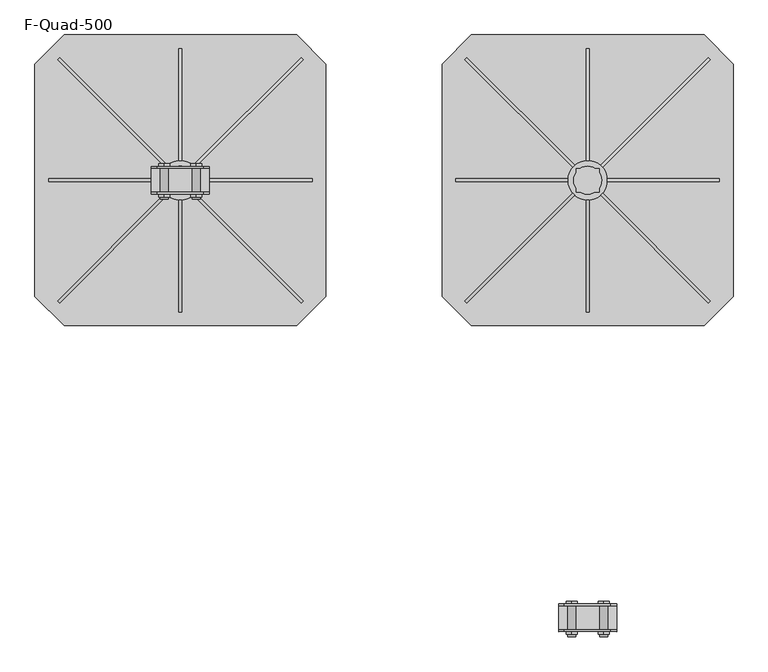
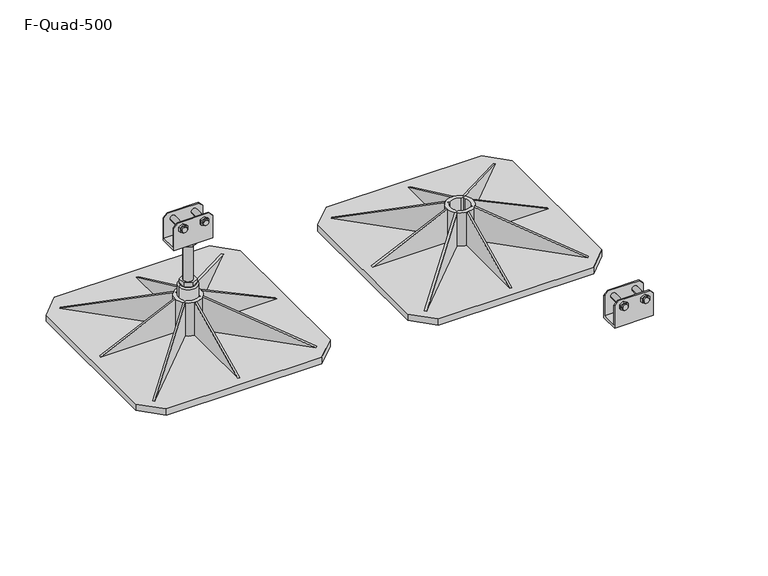
"""IFC4 building model written with IfcOpenShell, lengths in millimetres: beam geometry, F-Quad-500."""

from ifc_helpers import new_model, si_unit, point, frame, frame_2d, origin, origin_with_axes, place, context, project, spatial, polyline, circle_curve, trimmed, segment, composite_curve, outline, extrude, source, transform, mapped, element, save
from ifc_brep_helpers import plane_surface, cylinder_surface, revolved_surface, advanced_brep


def f_quad_500_288b1008(model_context):
    return source(origin(), model_context, "Body", "SolidModel", [
        advanced_brep(
        [(-50.0, 731.75, 265.0), (50.0, 731.75, 265.0), (50.0, 773.25, 265.0), (-50.0, 773.25, 265.0), (50.0, 776.25, 258.0), (50.0, 728.75, 258.0), (-50.0, 728.75, 258.0), (-50.0, 776.25, 258.0), (27.5, 781.153247, 323.062665), (37.0805489, 781.153247, 317.5313325), (37.0805489, 781.153247, 306.4686675), (27.5, 781.153247, 300.937335), (17.9194511, 781.153247, 306.4686675), (17.9194511, 781.153247, 317.5313325), (-27.5, 781.153247, 323.062665), (-17.9194511, 781.153247, 317.5313325), (-17.9194511, 781.153247, 306.4686675), (-27.5, 781.153247, 300.937335), (-37.0805489, 781.153247, 306.4686675), (-37.0805489, 781.153247, 317.5313325), (27.5, 776.153247, 323.062665), (37.0805489, 776.25, 317.5313325), (37.0805489, 776.25, 306.4686675), (27.5, 776.25, 300.937335), (17.9194511, 776.25, 306.4686675), (17.9194511, 776.25, 317.5313325), (-27.5, 776.153247, 323.062665), (-17.9194511, 776.25, 317.5313325), (-17.9194511, 776.25, 306.4686675), (-27.5, 776.25, 300.937335), (-37.0805489, 776.25, 306.4686675), (-37.0805489, 776.25, 317.5313325), (17.9194511, 723.75, 317.5313325), (17.9194511, 723.75, 306.4686675), (27.5, 723.75, 300.937335), (37.0805489, 723.75, 306.4686675), (37.0805489, 723.75, 317.5313325), (27.5, 723.75, 323.062665), (20.5, 723.75, 312.0), (34.5, 723.75, 312.0), (17.9194511, 728.75, 317.5313325), (17.9194511, 728.75, 306.4686675), (27.5, 728.75, 300.937335), (37.0805489, 728.75, 306.4686675), (37.0805489, 728.75, 317.5313325), (27.5, 728.75, 323.062665), (-37.0805489, 723.75, 317.5313325), (-37.0805489, 723.75, 306.4686675), (-27.5, 723.75, 300.937335), (-17.9194511, 723.75, 306.4686675), (-17.9194511, 723.75, 317.5313325), (-27.5, 723.75, 323.062665), (-34.5, 723.75, 312.0), (-20.5, 723.75, 312.0), (-37.0805489, 728.75, 317.5313325), (-37.0805489, 728.75, 306.4686675), (-27.5, 728.75, 300.937335), (-17.9194511, 728.75, 306.4686675), (-17.9194511, 728.75, 317.5313325), (-27.5, 728.75, 323.062665), (-50.0, 731.75, 319.0), (-40.0, 731.75, 329.0), (40.0, 731.75, 329.0), (50.0, 731.75, 319.0), (34.5, 731.75, 312.0), (20.5, 731.75, 312.0), (-20.5, 731.75, 312.0), (-34.5, 731.75, 312.0), (40.0, 728.75, 329.0), (50.0, 728.75, 319.0), (-40.0, 728.75, 329.0), (-50.0, 728.75, 319.0), (50.0, 773.25, 319.0), (40.0, 773.25, 329.0), (-40.0, 773.25, 329.0), (-50.0, 773.25, 319.0), (20.5, 773.25, 312.0), (34.5, 773.25, 312.0), (-34.5, 773.25, 312.0), (-20.5, 773.25, 312.0), (50.0, 776.25, 319.0), (40.0, 776.25, 329.0), (-40.0, 776.25, 329.0), (-50.0, 776.25, 319.0), (20.5, 719.8051094, 312.0), (34.5, 719.8051094, 312.0), (-34.5, 719.8051094, 312.0), (-20.5, 719.8051094, 312.0)],
        [
            (0, 1),
            (1, 2),
            (2, 3),
            (3, 0),
            (4, 5),
            (5, 6),
            (6, 7),
            (7, 4),
            (8, 9),
            (9, 10),
            (10, 11),
            (11, 12),
            (12, 13),
            (13, 8),
            (14, 15),
            (15, 16),
            (16, 17),
            (17, 18),
            (18, 19),
            (19, 14),
            (8, 20),
            (20, 21),
            (21, 9),
            (21, 22),
            (22, 10),
            (22, 23),
            (23, 11),
            (23, 24),
            (24, 12),
            (24, 25),
            (25, 13),
            (25, 20),
            (14, 26),
            (26, 27),
            (27, 15),
            (27, 28),
            (28, 16),
            (28, 29),
            (29, 17),
            (29, 30),
            (30, 18),
            (30, 31),
            (31, 19),
            (31, 26),
            (32, 33),
            (33, 34),
            (34, 35),
            (35, 36),
            (36, 37),
            (37, 32),
            (38, 39, circle_curve(frame((27.5, 723.75, 312.0), z_axis=(0.0, 1.0, 0.0), x_axis=(-1.0, 0.0, 0.0)), 7.0)),
            (39, 38, circle_curve(frame((27.5, 723.75, 312.0), z_axis=(0.0, 1.0, 0.0), x_axis=(-1.0, 0.0, 0.0)), 7.0)),
            (32, 40),
            (40, 41),
            (41, 33),
            (41, 42),
            (42, 34),
            (42, 43),
            (43, 35),
            (43, 44),
            (44, 36),
            (44, 45),
            (45, 37),
            (45, 40),
            (46, 47),
            (47, 48),
            (48, 49),
            (49, 50),
            (50, 51),
            (51, 46),
            (52, 53, circle_curve(frame((-27.5, 723.75, 312.0), z_axis=(0.0, 1.0, 0.0), x_axis=(-1.0, 0.0, 0.0)), 7.0)),
            (53, 52, circle_curve(frame((-27.5, 723.75, 312.0), z_axis=(0.0, 1.0, 0.0), x_axis=(-1.0, 0.0, 0.0)), 7.0)),
            (46, 54),
            (54, 55),
            (55, 47),
            (55, 56),
            (56, 48),
            (56, 57),
            (57, 49),
            (57, 58),
            (58, 50),
            (58, 59),
            (59, 51),
            (59, 54),
            (60, 61),
            (61, 62),
            (62, 63),
            (63, 1),
            (0, 60),
            (64, 65, circle_curve(frame((27.5, 731.75, 312.0), z_axis=(0.0, -1.0, 0.0), x_axis=(-1.0, 0.0, 0.0)), 7.0)),
            (65, 64, circle_curve(frame((27.5, 731.75, 312.0), z_axis=(0.0, -1.0, 0.0), x_axis=(-1.0, 0.0, 0.0)), 7.0)),
            (66, 67, circle_curve(frame((-27.5, 731.75, 312.0), z_axis=(0.0, -1.0, 0.0), x_axis=(-1.0, 0.0, 0.0)), 7.0)),
            (67, 66, circle_curve(frame((-27.5, 731.75, 312.0), z_axis=(0.0, -1.0, 0.0), x_axis=(-1.0, 0.0, 0.0)), 7.0)),
            (62, 68),
            (68, 69),
            (69, 63),
            (61, 70),
            (70, 68),
            (60, 71),
            (71, 70),
            (72, 73),
            (73, 74),
            (74, 75),
            (75, 3),
            (2, 72),
            (76, 77, circle_curve(frame((27.5, 773.25, 312.0), z_axis=(0.0, 1.0, 0.0), x_axis=(-1.0, 0.0, 0.0)), 7.0)),
            (77, 76, circle_curve(frame((27.5, 773.25, 312.0), z_axis=(0.0, 1.0, 0.0), x_axis=(-1.0, 0.0, 0.0)), 7.0)),
            (78, 79, circle_curve(frame((-27.5, 773.25, 312.0), z_axis=(0.0, 1.0, 0.0), x_axis=(-1.0, 0.0, 0.0)), 7.0)),
            (79, 78, circle_curve(frame((-27.5, 773.25, 312.0), z_axis=(0.0, 1.0, 0.0), x_axis=(-1.0, 0.0, 0.0)), 7.0)),
            (80, 81),
            (81, 73),
            (72, 80),
            (81, 82),
            (82, 74),
            (82, 83),
            (83, 75),
            (7, 83),
            (80, 4),
            (6, 71),
            (5, 69),
            (84, 85, circle_curve(frame((27.5, 719.8051094, 312.0), z_axis=(0.0, -1.0, 0.0), x_axis=(-1.0, 0.0, 0.0)), 7.0)),
            (85, 84, circle_curve(frame((27.5, 719.8051094, 312.0), z_axis=(0.0, -1.0, 0.0), x_axis=(-1.0, 0.0, 0.0)), 7.0)),
            (86, 87, circle_curve(frame((-27.5, 719.8051094, 312.0), z_axis=(0.0, -1.0, 0.0), x_axis=(-1.0, 0.0, 0.0)), 7.0)),
            (87, 86, circle_curve(frame((-27.5, 719.8051094, 312.0), z_axis=(0.0, -1.0, 0.0), x_axis=(-1.0, 0.0, 0.0)), 7.0)),
            (85, 39),
            (38, 84),
            (64, 77),
            (76, 65),
            (87, 53),
            (52, 86),
            (66, 79),
            (78, 67),
        ],
        [
            plane_surface(frame((0.0, 776.25, 265.0), z_axis=(0.0, 0.0, 1.0), x_axis=(-1.0, 0.0, 0.0))),
            plane_surface(frame((0.0, 776.25, 258.0), z_axis=(0.0, 0.0, -1.0), x_axis=(1.0, 0.0, 0.0))),
            plane_surface(frame((27.5, 781.153247, 323.062665), z_axis=(0.0, 1.0, 0.0), x_axis=(0.866025403784437, 0.0, -0.5000000000000028))),
            plane_surface(frame((27.5, 781.153247, 323.062665), z_axis=(0.5000000000000028, 0.0, 0.866025403784437), x_axis=(0.0, -1.0, 0.0))),
            plane_surface(frame((37.0805489, 781.153247, 317.5313325), z_axis=(1.0, 0.0, 0.0), x_axis=(0.0, -1.0, 0.0))),
            plane_surface(frame((37.0805489, 781.153247, 306.4686675), z_axis=(0.4999999999999971, 0.0, -0.8660254037844404), x_axis=(0.0, -1.0, 0.0))),
            plane_surface(frame((27.5, 781.153247, 300.937335), z_axis=(-0.5000000000000031, 0.0, -0.8660254037844369), x_axis=(0.0, -1.0, 0.0))),
            plane_surface(frame((17.9194511, 781.153247, 306.4686675), z_axis=(-1.0, 0.0, 0.0), x_axis=(0.0, -1.0, 0.0))),
            plane_surface(frame((17.9194511, 781.153247, 317.5313325), z_axis=(-0.4999999999999962, 0.0, 0.8660254037844408), x_axis=(0.0, -1.0, 0.0))),
            plane_surface(frame((-27.5, 781.153247, 323.062665), z_axis=(0.5000000000000028, 0.0, 0.866025403784437), x_axis=(0.0, -1.0, 0.0))),
            plane_surface(frame((-17.9194511, 781.153247, 317.5313325), z_axis=(1.0, 0.0, 0.0), x_axis=(0.0, -1.0, 0.0))),
            plane_surface(frame((-17.9194511, 781.153247, 306.4686675), z_axis=(0.4999999999999972, 0.0, -0.8660254037844403), x_axis=(0.0, -1.0, 0.0))),
            plane_surface(frame((-27.5, 781.153247, 300.937335), z_axis=(-0.5000000000000029, 0.0, -0.866025403784437), x_axis=(0.0, -1.0, 0.0))),
            plane_surface(frame((-37.0805489, 781.153247, 306.4686675), z_axis=(-1.0, 0.0, 0.0), x_axis=(0.0, -1.0, 0.0))),
            plane_surface(frame((-37.0805489, 781.153247, 317.5313325), z_axis=(-0.49999999999999617, 0.0, 0.8660254037844409), x_axis=(0.0, -1.0, 0.0))),
            plane_surface(frame((17.9194511, 723.75, 317.5313325), z_axis=(0.0, -1.0, 0.0), x_axis=(0.0, 0.0, -1.0))),
            plane_surface(frame((17.9194511, 723.75, 317.5313325), z_axis=(-1.0, 0.0, 0.0), x_axis=(0.0, 1.0, 0.0))),
            plane_surface(frame((17.9194511, 723.75, 306.4686675), z_axis=(-0.500000000000003, 0.0, -0.866025403784437), x_axis=(0.0, 1.0, 0.0))),
            plane_surface(frame((27.5, 723.75, 300.937335), z_axis=(0.4999999999999972, 0.0, -0.8660254037844403), x_axis=(0.0, 1.0, 0.0))),
            plane_surface(frame((37.0805489, 723.75, 306.4686675), z_axis=(1.0, 0.0, 0.0), x_axis=(0.0, 1.0, 0.0))),
            plane_surface(frame((37.0805489, 723.75, 317.5313325), z_axis=(0.5000000000000038, 0.0, 0.8660254037844366), x_axis=(0.0, 1.0, 0.0))),
            plane_surface(frame((27.5, 723.75, 323.062665), z_axis=(-0.4999999999999978, 0.0, 0.8660254037844399), x_axis=(0.0, 1.0, 0.0))),
            plane_surface(frame((-37.0805489, 723.75, 317.5313325), z_axis=(0.0, -1.0, 0.0), x_axis=(0.0, 0.0, -1.0))),
            plane_surface(frame((-37.0805489, 723.75, 317.5313325), z_axis=(-1.0, 0.0, 0.0), x_axis=(0.0, 1.0, 0.0))),
            plane_surface(frame((-37.0805489, 723.75, 306.4686675), z_axis=(-0.5000000000000031, 0.0, -0.8660254037844368), x_axis=(0.0, 1.0, 0.0))),
            plane_surface(frame((-27.5, 723.75, 300.937335), z_axis=(0.49999999999999717, 0.0, -0.8660254037844404), x_axis=(0.0, 1.0, 0.0))),
            plane_surface(frame((-17.9194511, 723.75, 306.4686675), z_axis=(1.0, 0.0, 0.0), x_axis=(0.0, 1.0, 0.0))),
            plane_surface(frame((-17.9194511, 723.75, 317.5313325), z_axis=(0.5000000000000036, 0.0, 0.8660254037844367), x_axis=(0.0, 1.0, 0.0))),
            plane_surface(frame((-27.5, 723.75, 323.062665), z_axis=(-0.4999999999999981, 0.0, 0.8660254037844398), x_axis=(0.0, 1.0, 0.0))),
            plane_surface(frame((-50.0, 731.75, 319.0), z_axis=(0.0, 1.0, 0.0), x_axis=(0.0, 0.0, 1.0))),
            plane_surface(frame((50.0, 728.75, 319.0), z_axis=(0.7071067811865493, 0.0, 0.7071067811865457), x_axis=(0.0, 1.0, 0.0))),
            plane_surface(frame((40.0, 728.75, 329.0), z_axis=(0.0, 0.0, 1.0), x_axis=(0.0, 1.0, 0.0))),
            plane_surface(frame((-40.0, 728.75, 329.0), z_axis=(-0.707106781186547, 0.0, 0.7071067811865481), x_axis=(0.0, 1.0, 0.0))),
            plane_surface(frame((40.0, 773.25, 329.0), z_axis=(0.0, -1.0, 0.0), x_axis=(-0.7071067811865458, 0.0, 0.7071067811865493))),
            plane_surface(frame((50.0, 773.25, 319.0), z_axis=(0.7071067811865493, 0.0, 0.7071067811865458), x_axis=(0.0, 1.0, 0.0))),
            plane_surface(frame((40.0, 773.25, 329.0), z_axis=(0.0, 0.0, 1.0), x_axis=(0.0, 1.0, 0.0))),
            plane_surface(frame((-40.0, 773.25, 329.0), z_axis=(-0.7071067811865467, 0.0, 0.7071067811865485), x_axis=(0.0, 1.0, 0.0))),
            plane_surface(frame((50.0, 776.25, 265.0), z_axis=(0.0, 1.0, 0.0), x_axis=(0.0, 0.0, -1.0))),
            plane_surface(frame((-50.0, 776.25, 265.0), z_axis=(-1.0, 0.0, 0.0), x_axis=(0.0, 0.0, -1.0))),
            plane_surface(frame((-50.0, 728.75, 265.0), z_axis=(0.0, -1.0, 0.0), x_axis=(0.0, 0.0, -1.0))),
            plane_surface(frame((50.0, 728.75, 265.0), z_axis=(1.0, 0.0, 0.0), x_axis=(0.0, 0.0, -1.0))),
            plane_surface(frame((20.5, 719.8051094, 312.0), z_axis=(0.0, -1.0, 0.0), x_axis=(0.0, 0.0, -1.0))),
            cylinder_surface(frame((27.5, 719.8051094, 312.0), z_axis=(0.0, 1.0, 0.0), x_axis=(-1.0, 0.0, 0.0)), 7.0),
            cylinder_surface(frame((-27.5, 776.153247, 312.0), z_axis=(0.0, 1.0, 0.0), x_axis=(-1.0, 0.0, 0.0)), 7.0),
        ],
        [
            (0, [[1, 2, 3, 4]]),
            (1, [[5, 6, 7, 8]]),
            (2, [[9, 10, 11, 12, 13, 14]]),
            (2, [[15, 16, 17, 18, 19, 20]]),
            (3, [[-9, 21, 22, 23]]),
            (4, [[-10, -23, 24, 25]]),
            (5, [[-11, -25, 26, 27]]),
            (6, [[-12, -27, 28, 29]]),
            (7, [[-13, -29, 30, 31]]),
            (8, [[-14, -31, 32, -21]]),
            (9, [[-15, 33, 34, 35]]),
            (10, [[-16, -35, 36, 37]]),
            (11, [[-17, -37, 38, 39]]),
            (12, [[-18, -39, 40, 41]]),
            (13, [[-19, -41, 42, 43]]),
            (14, [[-20, -43, 44, -33]]),
            (15, [[45, 46, 47, 48, 49, 50], [51, 52]]),
            (16, [[-45, 53, 54, 55]]),
            (17, [[-46, -55, 56, 57]]),
            (18, [[-47, -57, 58, 59]]),
            (19, [[-48, -59, 60, 61]]),
            (20, [[-49, -61, 62, 63]]),
            (21, [[-50, -63, 64, -53]]),
            (22, [[65, 66, 67, 68, 69, 70], [71, 72]]),
            (23, [[-65, 73, 74, 75]]),
            (24, [[-66, -75, 76, 77]]),
            (25, [[-67, -77, 78, 79]]),
            (26, [[-68, -79, 80, 81]]),
            (27, [[-69, -81, 82, 83]]),
            (28, [[-70, -83, 84, -73]]),
            (29, [[85, 86, 87, 88, -1, 89], [90, 91], [92, 93]]),
            (30, [[-87, 94, 95, 96]]),
            (31, [[-86, 97, 98, -94]]),
            (32, [[-85, 99, 100, -97]]),
            (33, [[101, 102, 103, 104, -3, 105], [106, 107], [108, 109]]),
            (34, [[110, 111, -101, 112]]),
            (35, [[113, 114, -102, -111]]),
            (36, [[115, 116, -103, -114]]),
            (37, [[-8, 117, -115, -113, -110, 118], [-22, -32, -30, -28, -26, -24], [-34, -44, -42, -40, -38, -36]]),
            (38, [[-117, -7, 119, -99, -89, -4, -104, -116]]),
            (39, [[-6, 120, -95, -98, -100, -119], [-54, -64, -62, -60, -58, -56], [-74, -84, -82, -80, -78, -76]]),
            (40, [[-5, -118, -112, -105, -2, -88, -96, -120]]),
            (41, [[121, 122]]),
            (41, [[123, 124]]),
            (42, [[-122, 125, -51, 126]]),
            (42, [[-90, 127, -106, 128]]),
            (42, [[-121, -126, -52, -125]]),
            (42, [[-91, -128, -107, -127]]),
            (43, [[-124, 129, -71, 130]]),
            (43, [[-92, 131, -108, 132]]),
            (43, [[-123, -130, -72, -129]]),
            (43, [[-93, -132, -109, -131]]),
        ],
    ),
        advanced_brep(
        [(-12.0, 752.5, 248.0), (-12.0, 752.5, 150.0), (12.0, 752.5, 150.0), (12.0, 752.5, 248.0), (-17.3205081, 762.5, 258.0), (-17.3205081, 742.5, 258.0), (0.0, 732.5, 258.0), (17.3205081, 742.5, 258.0), (17.3205081, 762.5, 258.0), (0.0, 772.5, 258.0), (-17.3205081, 762.5, 248.0), (0.0, 772.5, 248.0), (17.3205081, 762.5, 248.0), (17.3205081, 742.5, 248.0), (0.0, 732.5, 248.0), (-17.3205081, 742.5, 248.0), (-17.3205081, 762.5, 150.0), (-17.3205081, 742.5, 150.0), (0.0, 732.5, 150.0), (17.3205081, 742.5, 150.0), (17.3205081, 762.5, 150.0), (0.0, 772.5, 150.0), (-17.3205081, 762.5, 140.0), (-17.3205081, 752.5, 140.0), (-17.3205081, 742.5, 140.0), (0.0, 732.5, 140.0), (17.3205081, 742.5, 140.0), (17.3205081, 752.5, 140.0), (17.3205081, 762.5, 140.0), (0.0, 772.5, 140.0), (-20.0, 752.5, 140.0), (20.0, 752.5, 140.0), (24.0, 752.5, 136.0), (-24.0, 752.5, 136.0), (24.0, 752.5, 10.0), (-24.0, 752.5, 10.0), (0.0, 752.5, 10.0)],
        [
            (0, 1),
            (1, 2, circle_curve(frame((0.0, 752.5, 150.0), z_axis=(0.0, 0.0, 1.0), x_axis=(1.0, 0.0, 0.0)), 12.0)),
            (2, 3),
            (3, 0, circle_curve(frame((0.0, 752.5, 248.0), z_axis=(0.0, 0.0, -1.0), x_axis=(1.0, 0.0, 0.0)), 12.0)),
            (0, 3, circle_curve(frame((0.0, 752.5, 248.0), z_axis=(0.0, 0.0, -1.0), x_axis=(1.0, 0.0, 0.0)), 12.0)),
            (2, 1, circle_curve(frame((0.0, 752.5, 150.0), z_axis=(0.0, 0.0, 1.0), x_axis=(1.0, 0.0, 0.0)), 12.0)),
            (4, 5),
            (5, 6),
            (6, 7),
            (7, 8),
            (8, 9),
            (9, 4),
            (10, 11),
            (11, 12),
            (12, 13),
            (13, 14),
            (14, 15),
            (15, 10),
            (4, 10),
            (15, 5),
            (14, 6),
            (13, 7),
            (12, 8),
            (11, 9),
            (16, 17),
            (17, 18),
            (18, 19),
            (19, 20),
            (20, 21),
            (21, 16),
            (16, 22),
            (22, 23),
            (23, 24),
            (24, 17),
            (24, 25),
            (25, 18),
            (25, 26),
            (26, 19),
            (26, 27),
            (27, 28),
            (28, 20),
            (28, 29),
            (29, 21),
            (29, 22),
            (22, 30, circle_curve(frame((0.0, 752.5, 140.0), z_axis=(0.0, 0.0, 1.0), x_axis=(-1.0, 0.0, 0.0)), 20.0)),
            (30, 23),
            (29, 22, circle_curve(frame((0.0, 752.5, 140.0), z_axis=(0.0, 0.0, 1.0), x_axis=(-1.0, 0.0, 0.0)), 20.0)),
            (28, 29, circle_curve(frame((0.0, 752.5, 140.0), z_axis=(0.0, 0.0, 1.0), x_axis=(-1.0, 0.0, 0.0)), 20.0)),
            (31, 28, circle_curve(frame((0.0, 752.5, 140.0), z_axis=(0.0, 0.0, 1.0), x_axis=(-1.0, 0.0, 0.0)), 20.0)),
            (27, 31),
            (26, 31, circle_curve(frame((0.0, 752.5, 140.0), z_axis=(0.0, 0.0, 1.0), x_axis=(-1.0, 0.0, 0.0)), 20.0)),
            (25, 26, circle_curve(frame((0.0, 752.5, 140.0), z_axis=(0.0, 0.0, 1.0), x_axis=(-1.0, 0.0, 0.0)), 20.0)),
            (24, 25, circle_curve(frame((0.0, 752.5, 140.0), z_axis=(0.0, 0.0, 1.0), x_axis=(-1.0, 0.0, 0.0)), 20.0)),
            (30, 24, circle_curve(frame((0.0, 752.5, 140.0), z_axis=(0.0, 0.0, 1.0), x_axis=(-1.0, 0.0, 0.0)), 20.0)),
            (32, 33, circle_curve(frame((0.0, 752.5, 136.0), z_axis=(0.0, 0.0, 1.0), x_axis=(-1.0, 0.0, 0.0)), 24.0)),
            (33, 30),
            (31, 32),
            (33, 32, circle_curve(frame((0.0, 752.5, 136.0), z_axis=(0.0, 0.0, 1.0), x_axis=(-1.0, 0.0, 0.0)), 24.0)),
            (32, 34),
            (34, 35, circle_curve(frame((0.0, 752.5, 10.0), z_axis=(0.0, 0.0, 1.0), x_axis=(-1.0, 0.0, 0.0)), 24.0)),
            (35, 33),
            (35, 34, circle_curve(frame((0.0, 752.5, 10.0), z_axis=(0.0, 0.0, 1.0), x_axis=(-1.0, 0.0, 0.0)), 24.0)),
            (34, 36),
            (36, 35),
        ],
        [
            cylinder_surface(frame((0.0, 752.5, 150.0), z_axis=(0.0, 0.0, 1.0), x_axis=(1.0, 0.0, 0.0)), 12.0),
            plane_surface(frame((-17.3205081, 762.5, 258.0), z_axis=(0.0, 0.0, 1.0), x_axis=(0.0, -1.0, 0.0))),
            plane_surface(frame((-17.3205081, 762.5, 248.0), z_axis=(0.0, 0.0, -1.0), x_axis=(0.0, 1.0, 0.0))),
            plane_surface(frame((-17.3205081, 762.5, 258.0), z_axis=(-1.0, 0.0, 0.0), x_axis=(0.0, 0.0, -1.0))),
            plane_surface(frame((-17.3205081, 742.5, 258.0), z_axis=(-0.5000000000000034, -0.8660254037844367, 0.0), x_axis=(0.0, 0.0, -1.0))),
            plane_surface(frame((0.0, 732.5, 258.0), z_axis=(0.4999999999999958, -0.8660254037844412, 0.0), x_axis=(0.0, 0.0, -1.0))),
            plane_surface(frame((17.3205081, 742.5, 258.0), z_axis=(1.0, 0.0, 0.0), x_axis=(0.0, 0.0, -1.0))),
            plane_surface(frame((17.3205081, 762.5, 258.0), z_axis=(0.5000000000000064, 0.866025403784435, 0.0), x_axis=(0.0, 0.0, -1.0))),
            plane_surface(frame((0.0, 772.5, 258.0), z_axis=(-0.4999999999999984, 0.8660254037844396, 0.0), x_axis=(0.0, 0.0, -1.0))),
            plane_surface(frame((-17.3205081, 762.5, 150.0), z_axis=(0.0, 0.0, 1.0), x_axis=(0.0, -1.0, 0.0))),
            plane_surface(frame((-17.3205081, 762.5, 150.0), z_axis=(-1.0, 0.0, 0.0), x_axis=(0.0, 0.0, -1.0))),
            plane_surface(frame((-17.3205081, 742.5, 150.0), z_axis=(-0.5000000000000034, -0.8660254037844367, 0.0), x_axis=(0.0, 0.0, -1.0))),
            plane_surface(frame((0.0, 732.5, 150.0), z_axis=(0.49999999999999545, -0.8660254037844413, 0.0), x_axis=(0.0, 0.0, -1.0))),
            plane_surface(frame((17.3205081, 742.5, 150.0), z_axis=(1.0, 0.0, 0.0), x_axis=(0.0, 0.0, -1.0))),
            plane_surface(frame((17.3205081, 762.5, 150.0), z_axis=(0.5000000000000064, 0.866025403784435, 0.0), x_axis=(0.0, 0.0, -1.0))),
            plane_surface(frame((0.0, 772.5, 150.0), z_axis=(-0.49999999999999845, 0.8660254037844396, 0.0), x_axis=(0.0, 0.0, -1.0))),
            plane_surface(frame((0.0, 752.5, 140.0), z_axis=(0.0, 0.0, 1.0), x_axis=(-1.0, 0.0, 0.0))),
            revolved_surface(polyline([(-20.0, 752.5, 140.0), (-24.0, 752.5, 136.0)]), (0.0, 752.5, 165.0), (0.0, 0.0, -1.0)),
            cylinder_surface(frame((0.0, 752.5, 165.0), z_axis=(0.0, 0.0, -1.0), x_axis=(-1.0, 0.0, 0.0)), 24.0),
            plane_surface(frame((0.0, 752.5, 10.0), z_axis=(0.0, 0.0, -1.0), x_axis=(-1.0, 0.0, 0.0))),
        ],
        [
            (0, [[1, 2, 3, 4]]),
            (0, [[-1, 5, -3, 6]]),
            (1, [[7, 8, 9, 10, 11, 12]]),
            (2, [[13, 14, 15, 16, 17, 18], [-4, -5]]),
            (3, [[-7, 19, -18, 20]]),
            (4, [[-8, -20, -17, 21]]),
            (5, [[-9, -21, -16, 22]]),
            (6, [[-10, -22, -15, 23]]),
            (7, [[-11, -23, -14, 24]]),
            (8, [[-12, -24, -13, -19]]),
            (9, [[25, 26, 27, 28, 29, 30], [-2, -6]]),
            (10, [[-25, 31, 32, 33, 34]]),
            (11, [[-26, -34, 35, 36]]),
            (12, [[-27, -36, 37, 38]]),
            (13, [[-28, -38, 39, 40, 41]]),
            (14, [[-29, -41, 42, 43]]),
            (15, [[-30, -43, 44, -31]]),
            (16, [[45, 46, -32]]),
            (16, [[47, -44]]),
            (16, [[48, -42]]),
            (16, [[49, -40, 50]]),
            (16, [[51, -50, -39]]),
            (16, [[52, -37]]),
            (16, [[53, -35]]),
            (16, [[54, -33, -46]]),
            (17, [[55, 56, -45, -47, -48, -49, 57]]),
            (17, [[-56, 58, -57, -51, -52, -53, -54]]),
            (18, [[-55, 59, 60, 61]]),
            (18, [[-58, -61, 62, -59]]),
            (19, [[-60, 63, 64]]),
            (19, [[-62, -64, -63]]),
        ],
    ),
        extrude(outline(polyline([(0.0, 0.0), (277.0270745, 0.0), (247.7880551, -85.1180342), (0.0, 0.0)])), frame((907.5358403, 541.4286258, 17.0), z_axis=(0.7071067811865491, 0.7071067811865459, 0.0), x_axis=(-0.6687504353591679, 0.6687504353591709, 0.32487799312025273)), (0.0, 0.0, 1.0), 5.0),
        extrude(outline(polyline([(0.0, 0.0), (-247.7880551, -85.1180342), (-277.0270745, 0.0), (0.0, 0.0)])), frame((492.4641597, 541.4286258, 17.0), z_axis=(-0.7071067811865449, 0.7071067811865502, 0.0), x_axis=(-0.6687504353591719, -0.6687504353591668, -0.3248779931202527)), (0.0, 0.0, 1.0), 5.0),
        extrude(outline(polyline([(0.0, 0.0), (277.0270745, 0.0), (247.7880551, -85.1180342), (0.0, 0.0)])), frame((911.0713742, 960.0358403, 17.0), z_axis=(-0.7071067811865384, 0.7071067811865568, 0.0), x_axis=(-0.6687504353591781, -0.6687504353591606, 0.32487799312025273)), (0.0, 0.0, 1.0), 5.0),
        extrude(outline(polyline([(17.0, 926.5), (107.0, 733.9683544), (17.0, 733.9683544), (17.0, 926.5)])), frame((0.0, 750.0, 0.0), z_axis=(0.0, 1.0, 0.0), x_axis=(0.0, 0.0, 1.0)), (0.0, 0.0, 1.0), 5.0),
        extrude(outline(polyline([(526.0, 17.0), (718.5316456, 107.0), (718.5316456, 17.0), (526.0, 17.0)])), frame((697.5, 0.0, 0.0), z_axis=(1.0, 0.0, 0.0), x_axis=(0.0, 1.0, 0.0)), (0.0, 0.0, 1.0), 5.0),
        extrude(outline(polyline([(979.0, 17.0), (786.4683544, 17.0), (786.4683544, 107.0), (979.0, 17.0)])), frame((697.5, 0.0, 0.0), z_axis=(1.0, 0.0, 0.0), x_axis=(0.0, 1.0, 0.0)), (0.0, 0.0, 1.0), 5.0),
        extrude(outline(polyline([(17.0, 473.5), (17.0, 666.0316456), (107.0, 666.0316456), (17.0, 473.5)])), frame((0.0, 750.0, 0.0), z_axis=(0.0, 1.0, 0.0), x_axis=(0.0, 0.0, 1.0)), (0.0, 0.0, 1.0), 5.0),
        extrude(outline(polyline([(0.0, 0.0), (-247.7880551, -85.1180342), (-277.0270745, 0.0), (0.0, 0.0)])), frame((488.9286258, 960.0358403, 17.0), z_axis=(0.7071067811865491, 0.7071067811865459, 0.0), x_axis=(-0.6687504353591679, 0.6687504353591709, -0.32487799312025273)), (0.0, 0.0, 1.0), 5.0),
        extrude(outline(composite_curve([segment(trimmed(circle_curve(frame_2d((700.0, 752.5)), 34.0), [point((666.0, 752.5))], [point((734.0, 752.5))], False, "CARTESIAN"), True, "CONTINUOUS"), segment(trimmed(circle_curve(frame_2d((700.0, 752.5)), 34.0), [point((734.0, 752.5))], [point((666.0, 752.5))], False, "CARTESIAN"), True, "CONTINUOUS")], self_intersect=False), holes=[composite_curve([segment(polyline([(686.7335008, 772.5), (680.0, 772.5), (680.0, 765.7664992)]), True, "CONTINUOUS"), segment(trimmed(circle_curve(frame_2d((700.0, 752.5)), 24.0), [point((680.0, 765.7664992))], [point((680.0, 739.2335008))], True, "CARTESIAN"), True, "CONTINUOUS"), segment(polyline([(680.0, 739.2335008), (680.0, 732.5), (686.7335008, 732.5)]), True, "CONTINUOUS"), segment(trimmed(circle_curve(frame_2d((700.0, 752.5)), 24.0), [point((686.7335008, 732.5))], [point((713.2664992, 732.5))], True, "CARTESIAN"), True, "CONTINUOUS"), segment(polyline([(713.2664992, 732.5), (720.0, 732.5), (720.0, 739.2335008)]), True, "CONTINUOUS"), segment(trimmed(circle_curve(frame_2d((700.0, 752.5)), 24.0), [point((720.0, 739.2335008))], [point((720.0, 765.7664992))], True, "CARTESIAN"), True, "CONTINUOUS"), segment(polyline([(720.0, 765.7664992), (720.0, 772.5), (713.2664992, 772.5)]), True, "CONTINUOUS"), segment(trimmed(circle_curve(frame_2d((700.0, 752.5)), 24.0), [point((713.2664992, 772.5))], [point((686.7335008, 772.5))], True, "CARTESIAN"), True, "CONTINUOUS")], self_intersect=False)]), frame((0.0, 0.0, 17.0), z_axis=(0.0, 0.0, 1.0), x_axis=(1.0, 0.0, 0.0)), (0.0, 0.0, 1.0), 90.0),
        extrude(outline(polyline([(900.0, 1002.5), (950.0, 952.5), (950.0, 552.5), (900.0, 502.5), (500.0, 502.5), (450.0, 552.5), (450.0, 952.5), (500.0, 1002.5), (900.0, 1002.5)])), origin_with_axes(), (0.0, 0.0, 1.0), 17.0),
        extrude(outline(polyline([(0.0, 0.0), (277.0270745, 0.0), (247.7880551, -85.1180342), (0.0, 0.0)])), frame((207.5358403, 541.4286258, 17.0), z_axis=(0.7071067811865491, 0.7071067811865459, 0.0), x_axis=(-0.6687504353591679, 0.6687504353591709, 0.32487799312025273)), (0.0, 0.0, 1.0), 5.0),
        extrude(outline(polyline([(0.0, 0.0), (-247.7880551, -85.1180342), (-277.0270745, 0.0), (0.0, 0.0)])), frame((-207.5358403, 541.4286258, 17.0), z_axis=(-0.7071067811865449, 0.7071067811865502, 0.0), x_axis=(-0.6687504353591719, -0.6687504353591668, -0.3248779931202527)), (0.0, 0.0, 1.0), 5.0),
        extrude(outline(polyline([(0.0, 0.0), (277.0270745, 0.0), (247.7880551, -85.1180342), (0.0, 0.0)])), frame((211.0713742, 960.0358403, 17.0), z_axis=(-0.7071067811865384, 0.7071067811865568, 0.0), x_axis=(-0.6687504353591781, -0.6687504353591606, 0.32487799312025273)), (0.0, 0.0, 1.0), 5.0),
        extrude(outline(polyline([(17.0, 226.5), (107.0, 33.9683544), (17.0, 33.9683544), (17.0, 226.5)])), frame((0.0, 750.0, 0.0), z_axis=(0.0, 1.0, 0.0), x_axis=(0.0, 0.0, 1.0)), (0.0, 0.0, 1.0), 5.0),
        extrude(outline(polyline([(526.0, 17.0), (718.5316456, 107.0), (718.5316456, 17.0), (526.0, 17.0)])), frame((-2.5, 0.0, 0.0), z_axis=(1.0, 0.0, 0.0), x_axis=(0.0, 1.0, 0.0)), (0.0, 0.0, 1.0), 5.0),
        extrude(outline(polyline([(979.0, 17.0), (786.4683544, 17.0), (786.4683544, 107.0), (979.0, 17.0)])), frame((-2.5, 0.0, 0.0), z_axis=(1.0, 0.0, 0.0), x_axis=(0.0, 1.0, 0.0)), (0.0, 0.0, 1.0), 5.0),
        extrude(outline(polyline([(17.0, -226.5), (17.0, -33.9683544), (107.0, -33.9683544), (17.0, -226.5)])), frame((0.0, 750.0, 0.0), z_axis=(0.0, 1.0, 0.0), x_axis=(0.0, 0.0, 1.0)), (0.0, 0.0, 1.0), 5.0),
        extrude(outline(polyline([(0.0, 0.0), (-247.7880551, -85.1180342), (-277.0270745, 0.0), (0.0, 0.0)])), frame((-211.0713742, 960.0358403, 17.0), z_axis=(0.7071067811865491, 0.7071067811865459, 0.0), x_axis=(-0.6687504353591679, 0.6687504353591709, -0.32487799312025273)), (0.0, 0.0, 1.0), 5.0),
        extrude(outline(composite_curve([segment(trimmed(circle_curve(frame_2d((0.0, 752.5)), 34.0), [point((-34.0, 752.5))], [point((34.0, 752.5))], False, "CARTESIAN"), True, "CONTINUOUS"), segment(trimmed(circle_curve(frame_2d((0.0, 752.5)), 34.0), [point((34.0, 752.5))], [point((-34.0, 752.5))], False, "CARTESIAN"), True, "CONTINUOUS")], self_intersect=False), holes=[composite_curve([segment(polyline([(-13.2664992, 772.5), (-20.0, 772.5), (-20.0, 765.7664992)]), True, "CONTINUOUS"), segment(trimmed(circle_curve(frame_2d((0.0, 752.5)), 24.0), [point((-20.0, 765.7664992))], [point((-20.0, 739.2335008))], True, "CARTESIAN"), True, "CONTINUOUS"), segment(polyline([(-20.0, 739.2335008), (-20.0, 732.5), (-13.2664992, 732.5)]), True, "CONTINUOUS"), segment(trimmed(circle_curve(frame_2d((0.0, 752.5)), 24.0), [point((-13.2664992, 732.5))], [point((13.2664992, 732.5))], True, "CARTESIAN"), True, "CONTINUOUS"), segment(polyline([(13.2664992, 732.5), (20.0, 732.5), (20.0, 739.2335008)]), True, "CONTINUOUS"), segment(trimmed(circle_curve(frame_2d((0.0, 752.5)), 24.0), [point((20.0, 739.2335008))], [point((20.0, 765.7664992))], True, "CARTESIAN"), True, "CONTINUOUS"), segment(polyline([(20.0, 765.7664992), (20.0, 772.5), (13.2664992, 772.5)]), True, "CONTINUOUS"), segment(trimmed(circle_curve(frame_2d((0.0, 752.5)), 24.0), [point((13.2664992, 772.5))], [point((-13.2664992, 772.5))], True, "CARTESIAN"), True, "CONTINUOUS")], self_intersect=False)]), frame((0.0, 0.0, 17.0), z_axis=(0.0, 0.0, 1.0), x_axis=(1.0, 0.0, 0.0)), (0.0, 0.0, 1.0), 90.0),
        extrude(outline(polyline([(200.0, 1002.5), (250.0, 952.5), (250.0, 552.5), (200.0, 502.5), (-200.0, 502.5), (-250.0, 552.5), (-250.0, 952.5), (-200.0, 1002.5), (200.0, 1002.5)])), origin_with_axes(), (0.0, 0.0, 1.0), 17.0),
        advanced_brep(
        [(650.0, -20.75, 265.0), (750.0, -20.75, 265.0), (750.0, 20.75, 265.0), (650.0, 20.75, 265.0), (750.0, 23.75, 258.0), (750.0, -23.75, 258.0), (650.0, -23.75, 258.0), (650.0, 23.75, 258.0), (727.5, 28.653247, 323.062665), (737.0805489, 28.653247, 317.5313325), (737.0805489, 28.653247, 306.4686675), (727.5, 28.653247, 300.937335), (717.9194511, 28.653247, 306.4686675), (717.9194511, 28.653247, 317.5313325), (672.5, 28.653247, 323.062665), (682.0805489, 28.653247, 317.5313325), (682.0805489, 28.653247, 306.4686675), (672.5, 28.653247, 300.937335), (662.9194511, 28.653247, 306.4686675), (662.9194511, 28.653247, 317.5313325), (727.5, 23.653247, 323.062665), (737.0805489, 23.75, 317.5313325), (737.0805489, 23.75, 306.4686675), (727.5, 23.75, 300.937335), (717.9194511, 23.75, 306.4686675), (717.9194511, 23.75, 317.5313325), (672.5, 23.653247, 323.062665), (682.0805489, 23.75, 317.5313325), (682.0805489, 23.75, 306.4686675), (672.5, 23.75, 300.937335), (662.9194511, 23.75, 306.4686675), (662.9194511, 23.75, 317.5313325), (717.9194511, -28.75, 317.5313325), (717.9194511, -28.75, 306.4686675), (727.5, -28.75, 300.937335), (737.0805489, -28.75, 306.4686675), (737.0805489, -28.75, 317.5313325), (727.5, -28.75, 323.062665), (720.5, -28.75, 312.0), (734.5, -28.75, 312.0), (717.9194511, -23.75, 317.5313325), (717.9194511, -23.75, 306.4686675), (727.5, -23.75, 300.937335), (737.0805489, -23.75, 306.4686675), (737.0805489, -23.75, 317.5313325), (727.5, -23.75, 323.062665), (662.9194511, -28.75, 317.5313325), (662.9194511, -28.75, 306.4686675), (672.5, -28.75, 300.937335), (682.0805489, -28.75, 306.4686675), (682.0805489, -28.75, 317.5313325), (672.5, -28.75, 323.062665), (665.5, -28.75, 312.0), (679.5, -28.75, 312.0), (662.9194511, -23.75, 317.5313325), (662.9194511, -23.75, 306.4686675), (672.5, -23.75, 300.937335), (682.0805489, -23.75, 306.4686675), (682.0805489, -23.75, 317.5313325), (672.5, -23.75, 323.062665), (650.0, -20.75, 319.0), (660.0, -20.75, 329.0), (740.0, -20.75, 329.0), (750.0, -20.75, 319.0), (734.5, -20.75, 312.0), (720.5, -20.75, 312.0), (679.5, -20.75, 312.0), (665.5, -20.75, 312.0), (740.0, -23.75, 329.0), (750.0, -23.75, 319.0), (660.0, -23.75, 329.0), (650.0, -23.75, 319.0), (750.0, 20.75, 319.0), (740.0, 20.75, 329.0), (660.0, 20.75, 329.0), (650.0, 20.75, 319.0), (720.5, 20.75, 312.0), (734.5, 20.75, 312.0), (665.5, 20.75, 312.0), (679.5, 20.75, 312.0), (750.0, 23.75, 319.0), (740.0, 23.75, 329.0), (660.0, 23.75, 329.0), (650.0, 23.75, 319.0), (720.5, -32.6948906, 312.0), (734.5, -32.6948906, 312.0), (665.5, -32.6948906, 312.0), (679.5, -32.6948906, 312.0)],
        [
            (0, 1),
            (1, 2),
            (2, 3),
            (3, 0),
            (4, 5),
            (5, 6),
            (6, 7),
            (7, 4),
            (8, 9),
            (9, 10),
            (10, 11),
            (11, 12),
            (12, 13),
            (13, 8),
            (14, 15),
            (15, 16),
            (16, 17),
            (17, 18),
            (18, 19),
            (19, 14),
            (8, 20),
            (20, 21),
            (21, 9),
            (21, 22),
            (22, 10),
            (22, 23),
            (23, 11),
            (23, 24),
            (24, 12),
            (24, 25),
            (25, 13),
            (25, 20),
            (14, 26),
            (26, 27),
            (27, 15),
            (27, 28),
            (28, 16),
            (28, 29),
            (29, 17),
            (29, 30),
            (30, 18),
            (30, 31),
            (31, 19),
            (31, 26),
            (32, 33),
            (33, 34),
            (34, 35),
            (35, 36),
            (36, 37),
            (37, 32),
            (38, 39, circle_curve(frame((727.5, -28.75, 312.0), z_axis=(0.0, 1.0, 0.0), x_axis=(-1.0, 0.0, 0.0)), 7.0)),
            (39, 38, circle_curve(frame((727.5, -28.75, 312.0), z_axis=(0.0, 1.0, 0.0), x_axis=(-1.0, 0.0, 0.0)), 7.0)),
            (32, 40),
            (40, 41),
            (41, 33),
            (41, 42),
            (42, 34),
            (42, 43),
            (43, 35),
            (43, 44),
            (44, 36),
            (44, 45),
            (45, 37),
            (45, 40),
            (46, 47),
            (47, 48),
            (48, 49),
            (49, 50),
            (50, 51),
            (51, 46),
            (52, 53, circle_curve(frame((672.5, -28.75, 312.0), z_axis=(0.0, 1.0, 0.0), x_axis=(-1.0, 0.0, 0.0)), 7.0)),
            (53, 52, circle_curve(frame((672.5, -28.75, 312.0), z_axis=(0.0, 1.0, 0.0), x_axis=(-1.0, 0.0, 0.0)), 7.0)),
            (46, 54),
            (54, 55),
            (55, 47),
            (55, 56),
            (56, 48),
            (56, 57),
            (57, 49),
            (57, 58),
            (58, 50),
            (58, 59),
            (59, 51),
            (59, 54),
            (60, 61),
            (61, 62),
            (62, 63),
            (63, 1),
            (0, 60),
            (64, 65, circle_curve(frame((727.5, -20.75, 312.0), z_axis=(0.0, -1.0, 0.0), x_axis=(-1.0, 0.0, 0.0)), 7.0)),
            (65, 64, circle_curve(frame((727.5, -20.75, 312.0), z_axis=(0.0, -1.0, 0.0), x_axis=(-1.0, 0.0, 0.0)), 7.0)),
            (66, 67, circle_curve(frame((672.5, -20.75, 312.0), z_axis=(0.0, -1.0, 0.0), x_axis=(-1.0, 0.0, 0.0)), 7.0)),
            (67, 66, circle_curve(frame((672.5, -20.75, 312.0), z_axis=(0.0, -1.0, 0.0), x_axis=(-1.0, 0.0, 0.0)), 7.0)),
            (62, 68),
            (68, 69),
            (69, 63),
            (61, 70),
            (70, 68),
            (60, 71),
            (71, 70),
            (72, 73),
            (73, 74),
            (74, 75),
            (75, 3),
            (2, 72),
            (76, 77, circle_curve(frame((727.5, 20.75, 312.0), z_axis=(0.0, 1.0, 0.0), x_axis=(-1.0, 0.0, 0.0)), 7.0)),
            (77, 76, circle_curve(frame((727.5, 20.75, 312.0), z_axis=(0.0, 1.0, 0.0), x_axis=(-1.0, 0.0, 0.0)), 7.0)),
            (78, 79, circle_curve(frame((672.5, 20.75, 312.0), z_axis=(0.0, 1.0, 0.0), x_axis=(-1.0, 0.0, 0.0)), 7.0)),
            (79, 78, circle_curve(frame((672.5, 20.75, 312.0), z_axis=(0.0, 1.0, 0.0), x_axis=(-1.0, 0.0, 0.0)), 7.0)),
            (80, 81),
            (81, 73),
            (72, 80),
            (81, 82),
            (82, 74),
            (82, 83),
            (83, 75),
            (7, 83),
            (80, 4),
            (6, 71),
            (5, 69),
            (84, 85, circle_curve(frame((727.5, -32.6948906, 312.0), z_axis=(0.0, -1.0, 0.0), x_axis=(-1.0, 0.0, 0.0)), 7.0)),
            (85, 84, circle_curve(frame((727.5, -32.6948906, 312.0), z_axis=(0.0, -1.0, 0.0), x_axis=(-1.0, 0.0, 0.0)), 7.0)),
            (86, 87, circle_curve(frame((672.5, -32.6948906, 312.0), z_axis=(0.0, -1.0, 0.0), x_axis=(-1.0, 0.0, 0.0)), 7.0)),
            (87, 86, circle_curve(frame((672.5, -32.6948906, 312.0), z_axis=(0.0, -1.0, 0.0), x_axis=(-1.0, 0.0, 0.0)), 7.0)),
            (85, 39),
            (38, 84),
            (64, 77),
            (76, 65),
            (87, 53),
            (52, 86),
            (66, 79),
            (78, 67),
        ],
        [
            plane_surface(frame((700.0, 23.75, 265.0), z_axis=(0.0, 0.0, 1.0), x_axis=(-1.0, 0.0, 0.0))),
            plane_surface(frame((700.0, 23.75, 258.0), z_axis=(0.0, 0.0, -1.0), x_axis=(1.0, 0.0, 0.0))),
            plane_surface(frame((727.5, 28.653247, 323.062665), z_axis=(0.0, 1.0, 0.0), x_axis=(0.866025403784437, 0.0, -0.5000000000000028))),
            plane_surface(frame((727.5, 28.653247, 323.062665), z_axis=(0.5000000000000028, 0.0, 0.866025403784437), x_axis=(0.0, -1.0, 0.0))),
            plane_surface(frame((737.0805489, 28.653247, 317.5313325), z_axis=(1.0, 0.0, 0.0), x_axis=(0.0, -1.0, 0.0))),
            plane_surface(frame((737.0805489, 28.653247, 306.4686675), z_axis=(0.4999999999999971, 0.0, -0.8660254037844404), x_axis=(0.0, -1.0, 0.0))),
            plane_surface(frame((727.5, 28.653247, 300.937335), z_axis=(-0.5000000000000031, 0.0, -0.8660254037844369), x_axis=(0.0, -1.0, 0.0))),
            plane_surface(frame((717.9194511, 28.653247, 306.4686675), z_axis=(-1.0, 0.0, 0.0), x_axis=(0.0, -1.0, 0.0))),
            plane_surface(frame((717.9194511, 28.653247, 317.5313325), z_axis=(-0.4999999999999962, 0.0, 0.8660254037844408), x_axis=(0.0, -1.0, 0.0))),
            plane_surface(frame((672.5, 28.653247, 323.062665), z_axis=(0.5000000000000028, 0.0, 0.866025403784437), x_axis=(0.0, -1.0, 0.0))),
            plane_surface(frame((682.0805489, 28.653247, 317.5313325), z_axis=(1.0, 0.0, 0.0), x_axis=(0.0, -1.0, 0.0))),
            plane_surface(frame((682.0805489, 28.653247, 306.4686675), z_axis=(0.4999999999999972, 0.0, -0.8660254037844403), x_axis=(0.0, -1.0, 0.0))),
            plane_surface(frame((672.5, 28.653247, 300.937335), z_axis=(-0.5000000000000029, 0.0, -0.866025403784437), x_axis=(0.0, -1.0, 0.0))),
            plane_surface(frame((662.9194511, 28.653247, 306.4686675), z_axis=(-1.0, 0.0, 0.0), x_axis=(0.0, -1.0, 0.0))),
            plane_surface(frame((662.9194511, 28.653247, 317.5313325), z_axis=(-0.49999999999999617, 0.0, 0.8660254037844409), x_axis=(0.0, -1.0, 0.0))),
            plane_surface(frame((717.9194511, -28.75, 317.5313325), z_axis=(0.0, -1.0, 0.0), x_axis=(0.0, 0.0, -1.0))),
            plane_surface(frame((717.9194511, -28.75, 317.5313325), z_axis=(-1.0, 0.0, 0.0), x_axis=(0.0, 1.0, 0.0))),
            plane_surface(frame((717.9194511, -28.75, 306.4686675), z_axis=(-0.500000000000003, 0.0, -0.866025403784437), x_axis=(0.0, 1.0, 0.0))),
            plane_surface(frame((727.5, -28.75, 300.937335), z_axis=(0.4999999999999972, 0.0, -0.8660254037844403), x_axis=(0.0, 1.0, 0.0))),
            plane_surface(frame((737.0805489, -28.75, 306.4686675), z_axis=(1.0, 0.0, 0.0), x_axis=(0.0, 1.0, 0.0))),
            plane_surface(frame((737.0805489, -28.75, 317.5313325), z_axis=(0.5000000000000038, 0.0, 0.8660254037844366), x_axis=(0.0, 1.0, 0.0))),
            plane_surface(frame((727.5, -28.75, 323.062665), z_axis=(-0.4999999999999978, 0.0, 0.8660254037844399), x_axis=(0.0, 1.0, 0.0))),
            plane_surface(frame((662.9194511, -28.75, 317.5313325), z_axis=(0.0, -1.0, 0.0), x_axis=(0.0, 0.0, -1.0))),
            plane_surface(frame((662.9194511, -28.75, 317.5313325), z_axis=(-1.0, 0.0, 0.0), x_axis=(0.0, 1.0, 0.0))),
            plane_surface(frame((662.9194511, -28.75, 306.4686675), z_axis=(-0.5000000000000031, 0.0, -0.8660254037844368), x_axis=(0.0, 1.0, 0.0))),
            plane_surface(frame((672.5, -28.75, 300.937335), z_axis=(0.49999999999999717, 0.0, -0.8660254037844404), x_axis=(0.0, 1.0, 0.0))),
            plane_surface(frame((682.0805489, -28.75, 306.4686675), z_axis=(1.0, 0.0, 0.0), x_axis=(0.0, 1.0, 0.0))),
            plane_surface(frame((682.0805489, -28.75, 317.5313325), z_axis=(0.5000000000000036, 0.0, 0.8660254037844367), x_axis=(0.0, 1.0, 0.0))),
            plane_surface(frame((672.5, -28.75, 323.062665), z_axis=(-0.4999999999999981, 0.0, 0.8660254037844398), x_axis=(0.0, 1.0, 0.0))),
            plane_surface(frame((650.0, -20.75, 319.0), z_axis=(0.0, 1.0, 0.0), x_axis=(0.0, 0.0, 1.0))),
            plane_surface(frame((750.0, -23.75, 319.0), z_axis=(0.7071067811865493, 0.0, 0.7071067811865457), x_axis=(0.0, 1.0, 0.0))),
            plane_surface(frame((740.0, -23.75, 329.0), z_axis=(0.0, 0.0, 1.0), x_axis=(0.0, 1.0, 0.0))),
            plane_surface(frame((660.0, -23.75, 329.0), z_axis=(-0.707106781186547, 0.0, 0.7071067811865481), x_axis=(0.0, 1.0, 0.0))),
            plane_surface(frame((740.0, 20.75, 329.0), z_axis=(0.0, -1.0, 0.0), x_axis=(-0.7071067811865458, 0.0, 0.7071067811865493))),
            plane_surface(frame((750.0, 20.75, 319.0), z_axis=(0.7071067811865493, 0.0, 0.7071067811865458), x_axis=(0.0, 1.0, 0.0))),
            plane_surface(frame((740.0, 20.75, 329.0), z_axis=(0.0, 0.0, 1.0), x_axis=(0.0, 1.0, 0.0))),
            plane_surface(frame((660.0, 20.75, 329.0), z_axis=(-0.7071067811865467, 0.0, 0.7071067811865485), x_axis=(0.0, 1.0, 0.0))),
            plane_surface(frame((750.0, 23.75, 265.0), z_axis=(0.0, 1.0, 0.0), x_axis=(0.0, 0.0, -1.0))),
            plane_surface(frame((650.0, 23.75, 265.0), z_axis=(-1.0, 0.0, 0.0), x_axis=(0.0, 0.0, -1.0))),
            plane_surface(frame((650.0, -23.75, 265.0), z_axis=(0.0, -1.0, 0.0), x_axis=(0.0, 0.0, -1.0))),
            plane_surface(frame((750.0, -23.75, 265.0), z_axis=(1.0, 0.0, 0.0), x_axis=(0.0, 0.0, -1.0))),
            plane_surface(frame((720.5, -32.6948906, 312.0), z_axis=(0.0, -1.0, 0.0), x_axis=(0.0, 0.0, -1.0))),
            cylinder_surface(frame((727.5, -32.6948906, 312.0), z_axis=(0.0, 1.0, 0.0), x_axis=(-1.0, 0.0, 0.0)), 7.0),
            cylinder_surface(frame((672.5, 23.653247, 312.0), z_axis=(0.0, 1.0, 0.0), x_axis=(-1.0, 0.0, 0.0)), 7.0),
        ],
        [
            (0, [[1, 2, 3, 4]]),
            (1, [[5, 6, 7, 8]]),
            (2, [[9, 10, 11, 12, 13, 14]]),
            (2, [[15, 16, 17, 18, 19, 20]]),
            (3, [[-9, 21, 22, 23]]),
            (4, [[-10, -23, 24, 25]]),
            (5, [[-11, -25, 26, 27]]),
            (6, [[-12, -27, 28, 29]]),
            (7, [[-13, -29, 30, 31]]),
            (8, [[-14, -31, 32, -21]]),
            (9, [[-15, 33, 34, 35]]),
            (10, [[-16, -35, 36, 37]]),
            (11, [[-17, -37, 38, 39]]),
            (12, [[-18, -39, 40, 41]]),
            (13, [[-19, -41, 42, 43]]),
            (14, [[-20, -43, 44, -33]]),
            (15, [[45, 46, 47, 48, 49, 50], [51, 52]]),
            (16, [[-45, 53, 54, 55]]),
            (17, [[-46, -55, 56, 57]]),
            (18, [[-47, -57, 58, 59]]),
            (19, [[-48, -59, 60, 61]]),
            (20, [[-49, -61, 62, 63]]),
            (21, [[-50, -63, 64, -53]]),
            (22, [[65, 66, 67, 68, 69, 70], [71, 72]]),
            (23, [[-65, 73, 74, 75]]),
            (24, [[-66, -75, 76, 77]]),
            (25, [[-67, -77, 78, 79]]),
            (26, [[-68, -79, 80, 81]]),
            (27, [[-69, -81, 82, 83]]),
            (28, [[-70, -83, 84, -73]]),
            (29, [[85, 86, 87, 88, -1, 89], [90, 91], [92, 93]]),
            (30, [[-87, 94, 95, 96]]),
            (31, [[-86, 97, 98, -94]]),
            (32, [[-85, 99, 100, -97]]),
            (33, [[101, 102, 103, 104, -3, 105], [106, 107], [108, 109]]),
            (34, [[110, 111, -101, 112]]),
            (35, [[113, 114, -102, -111]]),
            (36, [[115, 116, -103, -114]]),
            (37, [[-8, 117, -115, -113, -110, 118], [-22, -32, -30, -28, -26, -24], [-34, -44, -42, -40, -38, -36]]),
            (38, [[-117, -7, 119, -99, -89, -4, -104, -116]]),
            (39, [[-6, 120, -95, -98, -100, -119], [-54, -64, -62, -60, -58, -56], [-74, -84, -82, -80, -78, -76]]),
            (40, [[-5, -118, -112, -105, -2, -88, -96, -120]]),
            (41, [[121, 122]]),
            (41, [[123, 124]]),
            (42, [[-122, 125, -51, 126]]),
            (42, [[-90, 127, -106, 128]]),
            (42, [[-121, -126, -52, -125]]),
            (42, [[-91, -128, -107, -127]]),
            (43, [[-124, 129, -71, 130]]),
            (43, [[-92, 131, -108, 132]]),
            (43, [[-123, -130, -72, -129]]),
            (43, [[-93, -132, -109, -131]]),
        ],
    ),
    ])


if __name__ == "__main__":
    model = new_model("IFC4")
    model_context = context("Model", 3, world=origin())
    ifc_project = project(units=[si_unit("LENGTHUNIT", "METRE", prefix="MILLI")], contexts=[model_context])
    site = spatial("IfcSite", under=ifc_project)
    building = spatial("IfcBuilding", under=site)
    placement = place(None, origin())
    f_quad_500_shape = f_quad_500_288b1008(model_context)
    element("IfcBeam", 1, ObjectType="F-Quad-500", at=placement, inside=building, context=model_context, shape_type="MappedRepresentation", body=[
        mapped(f_quad_500_shape, transform((0.0, 0.0, 0.0), x_axis=(1.0, 0.0, 0.0), y_axis=(0.0, 1.0, 0.0), z_axis=(0.0, 0.0, 1.0))),
    ])
    save(model, "model.ifc")
